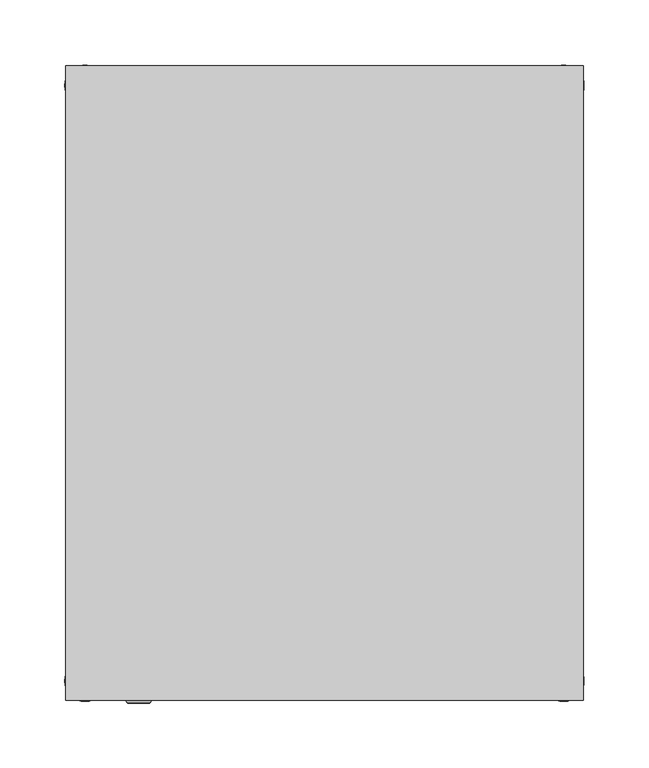
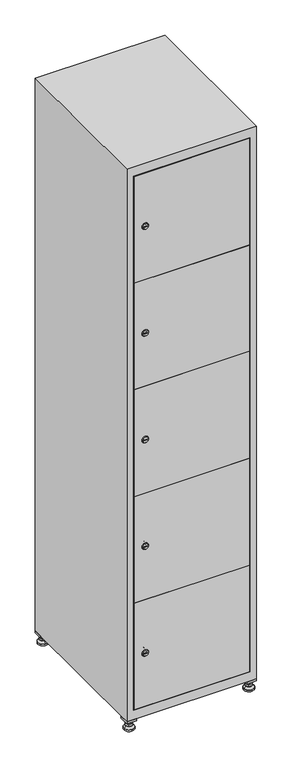
"""IFC4 building model written with IfcOpenShell, lengths in millimetres: furniture geometry."""

from ifc_helpers import new_model, si_unit, point, frame, frame_2d, origin, origin_with_axes, place, context, project, spatial, polyline, circle_curve, trimmed, segment, composite_curve, outline, extrude, faceted_brep, source, transform, mapped, element, save
from ifc_brep_helpers import plane_surface, revolved_surface, advanced_brep


def furniture_237b745b(model_context):
    return source(origin(), model_context, "Body", "SolidModel", [
        extrude(outline(polyline([(200.0, 245.0), (200.0, 215.0), (170.0, 215.0), (170.0, 245.0), (200.0, 245.0)]), holes=[polyline([(198.0, 243.0), (172.0, 243.0), (172.0, 217.0), (198.0, 217.0), (198.0, 243.0)])]), frame((0.0, 0.0, 28.5), z_axis=(0.0, 0.0, 1.0), x_axis=(1.0, 0.0, 0.0)), (0.0, 0.0, 1.0), 6.5),
        extrude(outline(polyline([(170.0, -245.0), (170.0, -215.0), (200.0, -215.0), (200.0, -245.0), (170.0, -245.0)]), holes=[polyline([(172.0, -243.0), (198.0, -243.0), (198.0, -217.0), (172.0, -217.0), (172.0, -243.0)])]), frame((0.0, 0.0, 28.5), z_axis=(0.0, 0.0, 1.0), x_axis=(1.0, 0.0, 0.0)), (0.0, 0.0, 1.0), 6.5),
        extrude(outline(polyline([(-170.0, 245.0), (-170.0, 215.0), (-200.0, 215.0), (-200.0, 245.0), (-170.0, 245.0)]), holes=[polyline([(-172.0, 243.0), (-198.0, 243.0), (-198.0, 217.0), (-172.0, 217.0), (-172.0, 243.0)])]), frame((0.0, 0.0, 28.5), z_axis=(0.0, 0.0, 1.0), x_axis=(1.0, 0.0, 0.0)), (0.0, 0.0, 1.0), 6.5),
        extrude(outline(polyline([(-170.0, -215.0), (-170.0, -245.0), (-200.0, -245.0), (-200.0, -215.0), (-170.0, -215.0)]), holes=[polyline([(-198.0, -243.0), (-172.0, -243.0), (-172.0, -217.0), (-198.0, -217.0), (-198.0, -243.0)])]), frame((0.0, 0.0, 28.5), z_axis=(0.0, 0.0, 1.0), x_axis=(1.0, 0.0, 0.0)), (0.0, 0.0, 1.0), 6.5),
        extrude(outline(composite_curve([segment(trimmed(circle_curve(frame_2d((-185.0, 230.0)), 5.0), [point((-180.0, 230.0))], [point((-190.0, 230.0))], False, "CARTESIAN"), True, "CONTINUOUS"), segment(trimmed(circle_curve(frame_2d((-185.0, 230.0)), 5.0), [point((-190.0, 230.0))], [point((-180.0, 230.0))], False, "CARTESIAN"), True, "CONTINUOUS")], self_intersect=False)), frame((0.0, 0.0, 19.6), z_axis=(0.0, 0.0, 1.0), x_axis=(1.0, 0.0, 0.0)), (0.0, 0.0, 1.0), 15.4),
        extrude(outline(composite_curve([segment(trimmed(circle_curve(frame_2d((-185.0, -230.0)), 5.0), [point((-180.0, -230.0))], [point((-190.0, -230.0))], False, "CARTESIAN"), True, "CONTINUOUS"), segment(trimmed(circle_curve(frame_2d((-185.0, -230.0)), 5.0), [point((-190.0, -230.0))], [point((-180.0, -230.0))], False, "CARTESIAN"), True, "CONTINUOUS")], self_intersect=False)), frame((0.0, 0.0, 19.6), z_axis=(0.0, 0.0, 1.0), x_axis=(1.0, 0.0, 0.0)), (0.0, 0.0, 1.0), 15.4),
        extrude(outline(composite_curve([segment(trimmed(circle_curve(frame_2d((185.0, 230.0)), 5.0), [point((190.0, 230.0))], [point((180.0, 230.0))], False, "CARTESIAN"), True, "CONTINUOUS"), segment(trimmed(circle_curve(frame_2d((185.0, 230.0)), 5.0), [point((180.0, 230.0))], [point((190.0, 230.0))], False, "CARTESIAN"), True, "CONTINUOUS")], self_intersect=False)), frame((0.0, 0.0, 19.6), z_axis=(0.0, 0.0, 1.0), x_axis=(1.0, 0.0, 0.0)), (0.0, 0.0, 1.0), 15.4),
        extrude(outline(polyline([(173.4529946, 230.0), (179.2264973, 240.0), (190.7735027, 240.0), (196.5470054, 230.0), (190.7735027, 220.0), (179.2264973, 220.0), (173.4529946, 230.0)])), frame((0.0, 0.0, 13.6), z_axis=(0.0, 0.0, 1.0), x_axis=(1.0, 0.0, 0.0)), (0.0, 0.0, 1.0), 6.0),
        extrude(outline(composite_curve([segment(trimmed(circle_curve(frame_2d((185.0, -230.0)), 5.0), [point((190.0, -230.0))], [point((180.0, -230.0))], False, "CARTESIAN"), True, "CONTINUOUS"), segment(trimmed(circle_curve(frame_2d((185.0, -230.0)), 5.0), [point((180.0, -230.0))], [point((190.0, -230.0))], False, "CARTESIAN"), True, "CONTINUOUS")], self_intersect=False)), frame((0.0, 0.0, 19.6), z_axis=(0.0, 0.0, 1.0), x_axis=(1.0, 0.0, 0.0)), (0.0, 0.0, 1.0), 15.4),
        extrude(outline(polyline([(173.4529946, -230.0), (179.2264973, -220.0), (190.7735027, -220.0), (196.5470054, -230.0), (190.7735027, -240.0), (179.2264973, -240.0), (173.4529946, -230.0)])), frame((0.0, 0.0, 13.6), z_axis=(0.0, 0.0, 1.0), x_axis=(1.0, 0.0, 0.0)), (0.0, 0.0, 1.0), 6.0),
        extrude(outline(composite_curve([segment(trimmed(circle_curve(frame_2d((185.0, 230.0)), 5.0), [point((190.0, 230.0))], [point((180.0, 230.0))], False, "CARTESIAN"), True, "CONTINUOUS"), segment(trimmed(circle_curve(frame_2d((185.0, 230.0)), 5.0), [point((180.0, 230.0))], [point((190.0, 230.0))], False, "CARTESIAN"), True, "CONTINUOUS")], self_intersect=False)), frame((0.0, 0.0, 12.1), z_axis=(0.0, 0.0, 1.0), x_axis=(1.0, 0.0, 0.0)), (0.0, 0.0, 1.0), 1.5),
        extrude(outline(composite_curve([segment(trimmed(circle_curve(frame_2d((185.0, -230.0)), 5.0), [point((190.0, -230.0))], [point((180.0, -230.0))], False, "CARTESIAN"), True, "CONTINUOUS"), segment(trimmed(circle_curve(frame_2d((185.0, -230.0)), 5.0), [point((180.0, -230.0))], [point((190.0, -230.0))], False, "CARTESIAN"), True, "CONTINUOUS")], self_intersect=False)), frame((0.0, 0.0, 12.1), z_axis=(0.0, 0.0, 1.0), x_axis=(1.0, 0.0, 0.0)), (0.0, 0.0, 1.0), 1.5),
        extrude(outline(polyline([(-196.5470054, 230.0), (-190.7735027, 240.0), (-179.2264973, 240.0), (-173.4529946, 230.0), (-179.2264973, 220.0), (-190.7735027, 220.0), (-196.5470054, 230.0)])), frame((0.0, 0.0, 13.6), z_axis=(0.0, 0.0, 1.0), x_axis=(1.0, 0.0, 0.0)), (0.0, 0.0, 1.0), 6.0),
        extrude(outline(polyline([(-196.5470054, -230.0), (-190.7735027, -220.0), (-179.2264973, -220.0), (-173.4529946, -230.0), (-179.2264973, -240.0), (-190.7735027, -240.0), (-196.5470054, -230.0)])), frame((0.0, 0.0, 13.6), z_axis=(0.0, 0.0, 1.0), x_axis=(1.0, 0.0, 0.0)), (0.0, 0.0, 1.0), 6.0),
        extrude(outline(composite_curve([segment(trimmed(circle_curve(frame_2d((-185.0, 230.0)), 5.0), [point((-185.0, 235.0))], [point((-185.0, 225.0))], False, "CARTESIAN"), True, "CONTINUOUS"), segment(trimmed(circle_curve(frame_2d((-185.0, 230.0)), 5.0), [point((-185.0, 225.0))], [point((-185.0, 235.0))], False, "CARTESIAN"), True, "CONTINUOUS")], self_intersect=False)), frame((0.0, 0.0, 12.1), z_axis=(0.0, 0.0, 1.0), x_axis=(1.0, 0.0, 0.0)), (0.0, 0.0, 1.0), 1.5),
        extrude(outline(composite_curve([segment(trimmed(circle_curve(frame_2d((-185.0, -230.0)), 5.0), [point((-180.0, -230.0))], [point((-190.0, -230.0))], False, "CARTESIAN"), True, "CONTINUOUS"), segment(trimmed(circle_curve(frame_2d((-185.0, -230.0)), 5.0), [point((-190.0, -230.0))], [point((-180.0, -230.0))], False, "CARTESIAN"), True, "CONTINUOUS")], self_intersect=False)), frame((0.0, 0.0, 12.1), z_axis=(0.0, 0.0, 1.0), x_axis=(1.0, 0.0, 0.0)), (0.0, 0.0, 1.0), 1.5),
        extrude(outline(composite_curve([segment(trimmed(circle_curve(frame_2d((185.0, 230.0)), 15.75), [point((200.75, 230.0))], [point((169.25, 230.0))], False, "CARTESIAN"), True, "CONTINUOUS"), segment(trimmed(circle_curve(frame_2d((185.0, 230.0)), 15.75), [point((169.25, 230.0))], [point((200.75, 230.0))], False, "CARTESIAN"), True, "CONTINUOUS")], self_intersect=False)), origin_with_axes(), (0.0, 0.0, 1.0), 5.1),
        extrude(outline(composite_curve([segment(trimmed(circle_curve(frame_2d((185.0, -230.0)), 15.75), [point((185.0, -214.25))], [point((185.0, -245.75))], False, "CARTESIAN"), True, "CONTINUOUS"), segment(trimmed(circle_curve(frame_2d((185.0, -230.0)), 15.75), [point((185.0, -245.75))], [point((185.0, -214.25))], False, "CARTESIAN"), True, "CONTINUOUS")], self_intersect=False)), origin_with_axes(), (0.0, 0.0, 1.0), 5.1),
        extrude(outline(composite_curve([segment(trimmed(circle_curve(frame_2d((-185.0, -230.0)), 15.75), [point((-169.25, -230.0))], [point((-200.75, -230.0))], False, "CARTESIAN"), True, "CONTINUOUS"), segment(trimmed(circle_curve(frame_2d((-185.0, -230.0)), 15.75), [point((-200.75, -230.0))], [point((-169.25, -230.0))], False, "CARTESIAN"), True, "CONTINUOUS")], self_intersect=False)), origin_with_axes(), (0.0, 0.0, 1.0), 5.1),
        extrude(outline(composite_curve([segment(trimmed(circle_curve(frame_2d((-185.0, 230.0)), 15.75), [point((-169.25, 230.0))], [point((-200.75, 230.0))], False, "CARTESIAN"), True, "CONTINUOUS"), segment(trimmed(circle_curve(frame_2d((-185.0, 230.0)), 15.75), [point((-200.75, 230.0))], [point((-169.25, 230.0))], False, "CARTESIAN"), True, "CONTINUOUS")], self_intersect=False)), origin_with_axes(), (0.0, 0.0, 1.0), 5.1),
        advanced_brep(
        [(-185.0, 245.75, 5.1), (-185.0, 214.25, 5.1), (-185.0, 239.5, 12.1), (-185.0, 220.5, 12.1)],
        [
            (0, 1, circle_curve(frame((-185.0, 230.0, 5.1), z_axis=(0.0, 0.0, -1.0), x_axis=(0.0, 1.0, 0.0)), 15.75)),
            (1, 0, circle_curve(frame((-185.0, 230.0, 5.1), z_axis=(0.0, 0.0, -1.0), x_axis=(0.0, -1.0, 0.0)), 15.75)),
            (2, 3, circle_curve(frame((-185.0, 230.0, 12.1), z_axis=(0.0, 0.0, 1.0), x_axis=(0.0, -1.0, 0.0)), 9.5)),
            (3, 2, circle_curve(frame((-185.0, 230.0, 12.1), z_axis=(0.0, 0.0, 1.0), x_axis=(0.0, 1.0, 0.0)), 9.5)),
            (3, 1),
            (0, 2),
        ],
        [
            plane_surface(frame((-185.0, 230.0, 5.1), z_axis=(0.0, 0.0, -1.0), x_axis=(1.0, 0.0, 0.0))),
            plane_surface(frame((-185.0, 230.0, 12.1), z_axis=(0.0, 0.0, 1.0), x_axis=(1.0, 0.0, 0.0))),
            revolved_surface(polyline([(-185.0, 220.5, 12.099999999999998), (-185.0, 214.25, 5.099999999999998)]), (-185.0, 230.0, 22.74), (0.0, 0.0, -1.0)),
            revolved_surface(polyline([(-185.0, 239.5, 12.099999999999998), (-185.0, 245.75, 5.099999999999998)]), (-185.0, 230.0, 22.74), (0.0, 0.0, -1.0)),
        ],
        [
            (0, [[1, 2]]),
            (1, [[3, 4]]),
            (2, [[-4, 5, -1, 6]]),
            (3, [[-3, -6, -2, -5]]),
        ],
    ),
        advanced_brep(
        [(185.0, 245.75, 5.1), (185.0, 214.25, 5.1), (185.0, 239.5, 12.1), (185.0, 220.5, 12.1)],
        [
            (0, 1, circle_curve(frame((185.0, 230.0, 5.1), z_axis=(0.0, 0.0, -1.0), x_axis=(0.0, 1.0, 0.0)), 15.75)),
            (1, 0, circle_curve(frame((185.0, 230.0, 5.1), z_axis=(0.0, 0.0, -1.0), x_axis=(0.0, -1.0, 0.0)), 15.75)),
            (2, 3, circle_curve(frame((185.0, 230.0, 12.1), z_axis=(0.0, 0.0, 1.0), x_axis=(0.0, -1.0, 0.0)), 9.5)),
            (3, 2, circle_curve(frame((185.0, 230.0, 12.1), z_axis=(0.0, 0.0, 1.0), x_axis=(0.0, 1.0, 0.0)), 9.5)),
            (3, 1),
            (0, 2),
        ],
        [
            plane_surface(frame((185.0, 230.0, 5.1), z_axis=(0.0, 0.0, -1.0), x_axis=(1.0, 0.0, 0.0))),
            plane_surface(frame((185.0, 230.0, 12.1), z_axis=(0.0, 0.0, 1.0), x_axis=(1.0, 0.0, 0.0))),
            revolved_surface(polyline([(185.0, 220.5, 12.099999999999998), (185.0, 214.25, 5.099999999999998)]), (185.0, 230.0, 22.74), (0.0, 0.0, -1.0)),
            revolved_surface(polyline([(185.0, 239.5, 12.099999999999998), (185.0, 245.75, 5.099999999999998)]), (185.0, 230.0, 22.74), (0.0, 0.0, -1.0)),
        ],
        [
            (0, [[1, 2]]),
            (1, [[3, 4]]),
            (2, [[-4, 5, -1, 6]]),
            (3, [[-3, -6, -2, -5]]),
        ],
    ),
        advanced_brep(
        [(194.5, -230.0, 12.1), (175.5, -230.0, 12.1), (200.75, -230.0, 5.1), (169.25, -230.0, 5.1)],
        [
            (0, 1, circle_curve(frame((185.0, -230.0, 12.1), z_axis=(0.0, 0.0, 1.0), x_axis=(1.0, 0.0, 0.0)), 9.5)),
            (1, 0, circle_curve(frame((185.0, -230.0, 12.1), z_axis=(0.0, 0.0, 1.0), x_axis=(-1.0, 0.0, 0.0)), 9.5)),
            (2, 3, circle_curve(frame((185.0, -230.0, 5.1), z_axis=(0.0, 0.0, -1.0), x_axis=(-1.0, 0.0, 0.0)), 15.75)),
            (3, 2, circle_curve(frame((185.0, -230.0, 5.1), z_axis=(0.0, 0.0, -1.0), x_axis=(1.0, 0.0, 0.0)), 15.75)),
            (3, 1),
            (0, 2),
        ],
        [
            plane_surface(frame((185.0, -230.0, 12.1), z_axis=(0.0, 0.0, 1.0), x_axis=(0.0, 1.0, 0.0))),
            plane_surface(frame((185.0, -230.0, 5.1), z_axis=(0.0, 0.0, -1.0), x_axis=(0.0, 1.0, 0.0))),
            revolved_surface(polyline([(194.5, -230.0, 12.099999999999998), (200.75, -230.0, 5.099999999999998)]), (185.0, -230.0, 22.74), (0.0, 0.0, -1.0)),
            revolved_surface(polyline([(175.5, -230.0, 12.099999999999998), (169.25, -230.0, 5.099999999999998)]), (185.0, -230.0, 22.74), (0.0, 0.0, -1.0)),
        ],
        [
            (0, [[1, 2]]),
            (1, [[3, 4]]),
            (2, [[-4, 5, -1, 6]]),
            (3, [[-3, -6, -2, -5]]),
        ],
    ),
        advanced_brep(
        [(-175.5, -230.0, 12.1), (-194.5, -230.0, 12.1), (-169.25, -230.0, 5.1), (-200.75, -230.0, 5.1)],
        [
            (0, 1, circle_curve(frame((-185.0, -230.0, 12.1), z_axis=(0.0, 0.0, 1.0), x_axis=(1.0, 0.0, 0.0)), 9.5)),
            (1, 0, circle_curve(frame((-185.0, -230.0, 12.1), z_axis=(0.0, 0.0, 1.0), x_axis=(-1.0, 0.0, 0.0)), 9.5)),
            (2, 3, circle_curve(frame((-185.0, -230.0, 5.1), z_axis=(0.0, 0.0, -1.0), x_axis=(-1.0, 0.0, 0.0)), 15.75)),
            (3, 2, circle_curve(frame((-185.0, -230.0, 5.1), z_axis=(0.0, 0.0, -1.0), x_axis=(1.0, 0.0, 0.0)), 15.75)),
            (3, 1),
            (0, 2),
        ],
        [
            plane_surface(frame((-185.0, -230.0, 12.1), z_axis=(0.0, 0.0, 1.0), x_axis=(0.0, 1.0, 0.0))),
            plane_surface(frame((-185.0, -230.0, 5.1), z_axis=(0.0, 0.0, -1.0), x_axis=(0.0, 1.0, 0.0))),
            revolved_surface(polyline([(-175.5, -230.0, 12.099999999999998), (-169.25, -230.0, 5.099999999999998)]), (-185.0, -230.0, 22.74), (0.0, 0.0, -1.0)),
            revolved_surface(polyline([(-194.5, -230.0, 12.099999999999998), (-200.75, -230.0, 5.099999999999998)]), (-185.0, -230.0, 22.74), (0.0, 0.0, -1.0)),
        ],
        [
            (0, [[1, 2]]),
            (1, [[3, 4]]),
            (2, [[-4, 5, -1, 6]]),
            (3, [[-3, -6, -2, -5]]),
        ],
    ),
        extrude(outline(composite_curve([segment(trimmed(circle_curve(frame_2d((239.96, -170.3989466)), 7.0), [point((246.96, -170.3989466))], [point((232.96, -170.3989466))], False, "CARTESIAN"), True, "CONTINUOUS"), segment(polyline([(232.96, -170.3989466), (232.96, -142.3989466)]), True, "CONTINUOUS"), segment(trimmed(circle_curve(frame_2d((239.96, -142.3989466)), 7.0), [point((232.96, -142.3989466))], [point((246.96, -142.3989466))], False, "CARTESIAN"), True, "CONTINUOUS"), segment(polyline([(246.96, -142.3989466), (246.96, -170.3989466)]), True, "CONTINUOUS")], self_intersect=False)), frame((0.0, -227.0, 0.0), z_axis=(0.0, 1.0, 0.0), x_axis=(0.0, 0.0, 1.0)), (0.0, 0.0, 1.0), 2.0),
        advanced_brep(
        [(-135.1, -247.2, 239.96), (-152.1, -247.2, 239.96), (-148.6, -247.2, 238.71), (-148.6, -247.2, 241.21), (-138.6, -247.2, 241.21), (-138.6, -247.2, 238.71), (-133.1, -245.0, 239.96), (-154.1, -245.0, 239.96), (-148.6, -245.0, 241.21), (-148.6, -245.0, 238.71), (-138.6, -245.0, 238.71), (-138.6, -245.0, 241.21)],
        [
            (0, 1, circle_curve(frame((-143.6, -247.2, 239.96), z_axis=(0.0, -1.0, 0.0), x_axis=(1.0, 0.0, 0.0)), 8.5)),
            (1, 0, circle_curve(frame((-143.6, -247.2, 239.96), z_axis=(0.0, -1.0, 0.0), x_axis=(-1.0, 0.0, 0.0)), 8.5)),
            (2, 3),
            (3, 4),
            (4, 5),
            (5, 2),
            (6, 7, circle_curve(frame((-143.6, -245.0, 239.96), z_axis=(0.0, 1.0, 0.0), x_axis=(-1.0, 0.0, 0.0)), 10.5)),
            (7, 6, circle_curve(frame((-143.6, -245.0, 239.96), z_axis=(0.0, 1.0, 0.0), x_axis=(1.0, 0.0, 0.0)), 10.5)),
            (8, 9),
            (9, 10),
            (10, 11),
            (11, 8),
            (0, 6),
            (7, 1),
            (8, 3),
            (2, 9),
            (11, 4),
            (10, 5),
        ],
        [
            plane_surface(frame((-143.6, -247.2, 239.96), z_axis=(0.0, -1.0, 0.0), x_axis=(0.0, 0.0, 1.0))),
            plane_surface(frame((-143.6, -245.0, 239.96), z_axis=(0.0, 1.0, 0.0), x_axis=(0.0, 0.0, 1.0))),
            revolved_surface(polyline([(-135.1, -247.2, 239.96), (-133.1, -245.0, 239.96)]), (-143.6, -256.55, 239.96), (0.0, 1.0, 0.0)),
            revolved_surface(polyline([(-152.1, -247.2, 239.96), (-154.1, -245.0, 239.96)]), (-143.6, -256.55, 239.96), (0.0, 1.0, 0.0)),
            plane_surface(frame((-148.6, -245.0, 238.71), z_axis=(1.0, 0.0, 0.0), x_axis=(0.0, -1.0, 0.0))),
            plane_surface(frame((-148.6, -245.0, 241.21), z_axis=(0.0, 0.0, -1.0), x_axis=(0.0, -1.0, 0.0))),
            plane_surface(frame((-138.6, -245.0, 241.21), z_axis=(-1.0, 0.0, 0.0), x_axis=(0.0, -1.0, 0.0))),
            plane_surface(frame((-138.6, -245.0, 238.71), z_axis=(0.0, 0.0, 1.0), x_axis=(0.0, -1.0, 0.0))),
        ],
        [
            (0, [[1, 2], [3, 4, 5, 6]]),
            (1, [[7, 8], [9, 10, 11, 12]]),
            (2, [[-1, 13, -8, 14]]),
            (3, [[-2, -14, -7, -13]]),
            (4, [[15, -3, 16, -9]]),
            (5, [[-15, -12, 17, -4]]),
            (6, [[-17, -11, 18, -5]]),
            (7, [[-16, -6, -18, -10]]),
        ],
    ),
        extrude(outline(composite_curve([segment(trimmed(circle_curve(frame_2d((587.48, -170.3989466)), 7.0), [point((594.48, -170.3989466))], [point((580.48, -170.3989466))], False, "CARTESIAN"), True, "CONTINUOUS"), segment(polyline([(580.48, -170.3989466), (580.48, -142.3989466)]), True, "CONTINUOUS"), segment(trimmed(circle_curve(frame_2d((587.48, -142.3989466)), 7.0), [point((580.48, -142.3989466))], [point((594.48, -142.3989466))], False, "CARTESIAN"), True, "CONTINUOUS"), segment(polyline([(594.48, -142.3989466), (594.48, -170.3989466)]), True, "CONTINUOUS")], self_intersect=False)), frame((0.0, -227.0, 0.0), z_axis=(0.0, 1.0, 0.0), x_axis=(0.0, 0.0, 1.0)), (0.0, 0.0, 1.0), 2.0),
        advanced_brep(
        [(-135.1, -247.2, 587.48), (-152.1, -247.2, 587.48), (-148.6, -247.2, 586.23), (-148.6, -247.2, 588.73), (-138.6, -247.2, 588.73), (-138.6, -247.2, 586.23), (-133.1, -245.0, 587.48), (-154.1, -245.0, 587.48), (-148.6, -245.0, 588.73), (-148.6, -245.0, 586.23), (-138.6, -245.0, 586.23), (-138.6, -245.0, 588.73)],
        [
            (0, 1, circle_curve(frame((-143.6, -247.2, 587.48), z_axis=(0.0, -1.0, 0.0), x_axis=(1.0, 0.0, 0.0)), 8.5)),
            (1, 0, circle_curve(frame((-143.6, -247.2, 587.48), z_axis=(0.0, -1.0, 0.0), x_axis=(-1.0, 0.0, 0.0)), 8.5)),
            (2, 3),
            (3, 4),
            (4, 5),
            (5, 2),
            (6, 7, circle_curve(frame((-143.6, -245.0, 587.48), z_axis=(0.0, 1.0, 0.0), x_axis=(-1.0, 0.0, 0.0)), 10.5)),
            (7, 6, circle_curve(frame((-143.6, -245.0, 587.48), z_axis=(0.0, 1.0, 0.0), x_axis=(1.0, 0.0, 0.0)), 10.5)),
            (8, 9),
            (9, 10),
            (10, 11),
            (11, 8),
            (0, 6),
            (7, 1),
            (8, 3),
            (2, 9),
            (11, 4),
            (10, 5),
        ],
        [
            plane_surface(frame((-143.6, -247.2, 587.48), z_axis=(0.0, -1.0, 0.0), x_axis=(0.0, 0.0, 1.0))),
            plane_surface(frame((-143.6, -245.0, 587.48), z_axis=(0.0, 1.0, 0.0), x_axis=(0.0, 0.0, 1.0))),
            revolved_surface(polyline([(-135.1, -247.2, 587.48), (-133.1, -245.0, 587.48)]), (-143.6, -256.55, 587.48), (0.0, 1.0, 0.0)),
            revolved_surface(polyline([(-152.1, -247.2, 587.48), (-154.1, -245.0, 587.48)]), (-143.6, -256.55, 587.48), (0.0, 1.0, 0.0)),
            plane_surface(frame((-148.6, -245.0, 586.23), z_axis=(1.0, 0.0, 0.0), x_axis=(0.0, -1.0, 0.0))),
            plane_surface(frame((-148.6, -245.0, 588.73), z_axis=(0.0, 0.0, -1.0), x_axis=(0.0, -1.0, 0.0))),
            plane_surface(frame((-138.6, -245.0, 588.73), z_axis=(-1.0, 0.0, 0.0), x_axis=(0.0, -1.0, 0.0))),
            plane_surface(frame((-138.6, -245.0, 586.23), z_axis=(0.0, 0.0, 1.0), x_axis=(0.0, -1.0, 0.0))),
        ],
        [
            (0, [[1, 2], [3, 4, 5, 6]]),
            (1, [[7, 8], [9, 10, 11, 12]]),
            (2, [[-1, 13, -8, 14]]),
            (3, [[-2, -14, -7, -13]]),
            (4, [[15, -3, 16, -9]]),
            (5, [[-15, -12, 17, -4]]),
            (6, [[-17, -11, 18, -5]]),
            (7, [[-16, -6, -18, -10]]),
        ],
    ),
        extrude(outline(composite_curve([segment(trimmed(circle_curve(frame_2d((935.0, -170.3989466)), 7.0), [point((942.0, -170.3989466))], [point((928.0, -170.3989466))], False, "CARTESIAN"), True, "CONTINUOUS"), segment(polyline([(928.0, -170.3989466), (928.0, -142.3989466)]), True, "CONTINUOUS"), segment(trimmed(circle_curve(frame_2d((935.0, -142.3989466)), 7.0), [point((928.0, -142.3989466))], [point((942.0, -142.3989466))], False, "CARTESIAN"), True, "CONTINUOUS"), segment(polyline([(942.0, -142.3989466), (942.0, -170.3989466)]), True, "CONTINUOUS")], self_intersect=False)), frame((0.0, -227.0, 0.0), z_axis=(0.0, 1.0, 0.0), x_axis=(0.0, 0.0, 1.0)), (0.0, 0.0, 1.0), 2.0),
        advanced_brep(
        [(-135.1, -247.2, 935.0), (-152.1, -247.2, 935.0), (-148.6, -247.2, 933.75), (-148.6, -247.2, 936.25), (-138.6, -247.2, 936.25), (-138.6, -247.2, 933.75), (-133.1, -245.0, 935.0), (-154.1, -245.0, 935.0), (-148.6, -245.0, 936.25), (-148.6, -245.0, 933.75), (-138.6, -245.0, 933.75), (-138.6, -245.0, 936.25)],
        [
            (0, 1, circle_curve(frame((-143.6, -247.2, 935.0), z_axis=(0.0, -1.0, 0.0), x_axis=(1.0, 0.0, 0.0)), 8.5)),
            (1, 0, circle_curve(frame((-143.6, -247.2, 935.0), z_axis=(0.0, -1.0, 0.0), x_axis=(-1.0, 0.0, 0.0)), 8.5)),
            (2, 3),
            (3, 4),
            (4, 5),
            (5, 2),
            (6, 7, circle_curve(frame((-143.6, -245.0, 935.0), z_axis=(0.0, 1.0, 0.0), x_axis=(-1.0, 0.0, 0.0)), 10.5)),
            (7, 6, circle_curve(frame((-143.6, -245.0, 935.0), z_axis=(0.0, 1.0, 0.0), x_axis=(1.0, 0.0, 0.0)), 10.5)),
            (8, 9),
            (9, 10),
            (10, 11),
            (11, 8),
            (0, 6),
            (7, 1),
            (8, 3),
            (2, 9),
            (11, 4),
            (10, 5),
        ],
        [
            plane_surface(frame((-143.6, -247.2, 935.0), z_axis=(0.0, -1.0, 0.0), x_axis=(0.0, 0.0, 1.0))),
            plane_surface(frame((-143.6, -245.0, 935.0), z_axis=(0.0, 1.0, 0.0), x_axis=(0.0, 0.0, 1.0))),
            revolved_surface(polyline([(-135.1, -247.2, 935.0), (-133.1, -245.0, 935.0)]), (-143.6, -256.55, 935.0), (0.0, 1.0, 0.0)),
            revolved_surface(polyline([(-152.1, -247.2, 935.0), (-154.1, -245.0, 935.0)]), (-143.6, -256.55, 935.0), (0.0, 1.0, 0.0)),
            plane_surface(frame((-148.6, -245.0, 933.75), z_axis=(1.0, 0.0, 0.0), x_axis=(0.0, -1.0, 0.0))),
            plane_surface(frame((-148.6, -245.0, 936.25), z_axis=(0.0, 0.0, -1.0), x_axis=(0.0, -1.0, 0.0))),
            plane_surface(frame((-138.6, -245.0, 936.25), z_axis=(-1.0, 0.0, 0.0), x_axis=(0.0, -1.0, 0.0))),
            plane_surface(frame((-138.6, -245.0, 933.75), z_axis=(0.0, 0.0, 1.0), x_axis=(0.0, -1.0, 0.0))),
        ],
        [
            (0, [[1, 2], [3, 4, 5, 6]]),
            (1, [[7, 8], [9, 10, 11, 12]]),
            (2, [[-1, 13, -8, 14]]),
            (3, [[-2, -14, -7, -13]]),
            (4, [[15, -3, 16, -9]]),
            (5, [[-15, -12, 17, -4]]),
            (6, [[-17, -11, 18, -5]]),
            (7, [[-16, -6, -18, -10]]),
        ],
    ),
        extrude(outline(composite_curve([segment(trimmed(circle_curve(frame_2d((1282.52, -170.3989466)), 7.0), [point((1289.52, -170.3989466))], [point((1275.52, -170.3989466))], False, "CARTESIAN"), True, "CONTINUOUS"), segment(polyline([(1275.52, -170.3989466), (1275.52, -142.3989466)]), True, "CONTINUOUS"), segment(trimmed(circle_curve(frame_2d((1282.52, -142.3989466)), 7.0), [point((1275.52, -142.3989466))], [point((1289.52, -142.3989466))], False, "CARTESIAN"), True, "CONTINUOUS"), segment(polyline([(1289.52, -142.3989466), (1289.52, -170.3989466)]), True, "CONTINUOUS")], self_intersect=False)), frame((0.0, -227.0, 0.0), z_axis=(0.0, 1.0, 0.0), x_axis=(0.0, 0.0, 1.0)), (0.0, 0.0, 1.0), 2.0),
        advanced_brep(
        [(-135.1, -247.2, 1282.52), (-152.1, -247.2, 1282.52), (-148.6, -247.2, 1281.27), (-148.6, -247.2, 1283.77), (-138.6, -247.2, 1283.77), (-138.6, -247.2, 1281.27), (-133.1, -245.0, 1282.52), (-154.1, -245.0, 1282.52), (-148.6, -245.0, 1283.77), (-148.6, -245.0, 1281.27), (-138.6, -245.0, 1281.27), (-138.6, -245.0, 1283.77)],
        [
            (0, 1, circle_curve(frame((-143.6, -247.2, 1282.52), z_axis=(0.0, -1.0, 0.0), x_axis=(1.0, 0.0, 0.0)), 8.5)),
            (1, 0, circle_curve(frame((-143.6, -247.2, 1282.52), z_axis=(0.0, -1.0, 0.0), x_axis=(-1.0, 0.0, 0.0)), 8.5)),
            (2, 3),
            (3, 4),
            (4, 5),
            (5, 2),
            (6, 7, circle_curve(frame((-143.6, -245.0, 1282.52), z_axis=(0.0, 1.0, 0.0), x_axis=(-1.0, 0.0, 0.0)), 10.5)),
            (7, 6, circle_curve(frame((-143.6, -245.0, 1282.52), z_axis=(0.0, 1.0, 0.0), x_axis=(1.0, 0.0, 0.0)), 10.5)),
            (8, 9),
            (9, 10),
            (10, 11),
            (11, 8),
            (0, 6),
            (7, 1),
            (8, 3),
            (2, 9),
            (11, 4),
            (10, 5),
        ],
        [
            plane_surface(frame((-143.6, -247.2, 1282.52), z_axis=(0.0, -1.0, 0.0), x_axis=(0.0, 0.0, 1.0))),
            plane_surface(frame((-143.6, -245.0, 1282.52), z_axis=(0.0, 1.0, 0.0), x_axis=(0.0, 0.0, 1.0))),
            revolved_surface(polyline([(-135.1, -247.2, 1282.52), (-133.1, -245.0, 1282.52)]), (-143.6, -256.55, 1282.52), (0.0, 1.0, 0.0)),
            revolved_surface(polyline([(-152.1, -247.2, 1282.52), (-154.1, -245.0, 1282.52)]), (-143.6, -256.55, 1282.52), (0.0, 1.0, 0.0)),
            plane_surface(frame((-148.6, -245.0, 1281.27), z_axis=(1.0, 0.0, 0.0), x_axis=(0.0, -1.0, 0.0))),
            plane_surface(frame((-148.6, -245.0, 1283.77), z_axis=(0.0, 0.0, -1.0), x_axis=(0.0, -1.0, 0.0))),
            plane_surface(frame((-138.6, -245.0, 1283.77), z_axis=(-1.0, 0.0, 0.0), x_axis=(0.0, -1.0, 0.0))),
            plane_surface(frame((-138.6, -245.0, 1281.27), z_axis=(0.0, 0.0, 1.0), x_axis=(0.0, -1.0, 0.0))),
        ],
        [
            (0, [[1, 2], [3, 4, 5, 6]]),
            (1, [[7, 8], [9, 10, 11, 12]]),
            (2, [[-1, 13, -8, 14]]),
            (3, [[-2, -14, -7, -13]]),
            (4, [[15, -3, 16, -9]]),
            (5, [[-15, -12, 17, -4]]),
            (6, [[-17, -11, 18, -5]]),
            (7, [[-16, -6, -18, -10]]),
        ],
    ),
        extrude(outline(composite_curve([segment(trimmed(circle_curve(frame_2d((1630.04, -170.3989466)), 7.0), [point((1637.04, -170.3989466))], [point((1623.04, -170.3989466))], False, "CARTESIAN"), True, "CONTINUOUS"), segment(polyline([(1623.04, -170.3989466), (1623.04, -142.3989466)]), True, "CONTINUOUS"), segment(trimmed(circle_curve(frame_2d((1630.04, -142.3989466)), 7.0), [point((1623.04, -142.3989466))], [point((1637.04, -142.3989466))], False, "CARTESIAN"), True, "CONTINUOUS"), segment(polyline([(1637.04, -142.3989466), (1637.04, -170.3989466)]), True, "CONTINUOUS")], self_intersect=False)), frame((0.0, -227.0, 0.0), z_axis=(0.0, 1.0, 0.0), x_axis=(0.0, 0.0, 1.0)), (0.0, 0.0, 1.0), 2.0),
        advanced_brep(
        [(-135.1, -247.2, 1630.04), (-152.1, -247.2, 1630.04), (-148.6, -247.2, 1628.79), (-148.6, -247.2, 1631.29), (-138.6, -247.2, 1631.29), (-138.6, -247.2, 1628.79), (-133.1, -245.0, 1630.04), (-154.1, -245.0, 1630.04), (-148.6, -245.0, 1631.29), (-148.6, -245.0, 1628.79), (-138.6, -245.0, 1628.79), (-138.6, -245.0, 1631.29)],
        [
            (0, 1, circle_curve(frame((-143.6, -247.2, 1630.04), z_axis=(0.0, -1.0, 0.0), x_axis=(1.0, 0.0, 0.0)), 8.5)),
            (1, 0, circle_curve(frame((-143.6, -247.2, 1630.04), z_axis=(0.0, -1.0, 0.0), x_axis=(-1.0, 0.0, 0.0)), 8.5)),
            (2, 3),
            (3, 4),
            (4, 5),
            (5, 2),
            (6, 7, circle_curve(frame((-143.6, -245.0, 1630.04), z_axis=(0.0, 1.0, 0.0), x_axis=(-1.0, 0.0, 0.0)), 10.5)),
            (7, 6, circle_curve(frame((-143.6, -245.0, 1630.04), z_axis=(0.0, 1.0, 0.0), x_axis=(1.0, 0.0, 0.0)), 10.5)),
            (8, 9),
            (9, 10),
            (10, 11),
            (11, 8),
            (0, 6),
            (7, 1),
            (8, 3),
            (2, 9),
            (11, 4),
            (10, 5),
        ],
        [
            plane_surface(frame((-143.6, -247.2, 1630.04), z_axis=(0.0, -1.0, 0.0), x_axis=(0.0, 0.0, 1.0))),
            plane_surface(frame((-143.6, -245.0, 1630.04), z_axis=(0.0, 1.0, 0.0), x_axis=(0.0, 0.0, 1.0))),
            revolved_surface(polyline([(-135.1, -247.2, 1630.04), (-133.1, -245.0, 1630.04)]), (-143.6, -256.55, 1630.04), (0.0, 1.0, 0.0)),
            revolved_surface(polyline([(-152.1, -247.2, 1630.04), (-154.1, -245.0, 1630.04)]), (-143.6, -256.55, 1630.04), (0.0, 1.0, 0.0)),
            plane_surface(frame((-148.6, -245.0, 1628.79), z_axis=(1.0, 0.0, 0.0), x_axis=(0.0, -1.0, 0.0))),
            plane_surface(frame((-148.6, -245.0, 1631.29), z_axis=(0.0, 0.0, -1.0), x_axis=(0.0, -1.0, 0.0))),
            plane_surface(frame((-138.6, -245.0, 1631.29), z_axis=(-1.0, 0.0, 0.0), x_axis=(0.0, -1.0, 0.0))),
            plane_surface(frame((-138.6, -245.0, 1628.79), z_axis=(0.0, 0.0, 1.0), x_axis=(0.0, -1.0, 0.0))),
        ],
        [
            (0, [[1, 2], [3, 4, 5, 6]]),
            (1, [[7, 8], [9, 10, 11, 12]]),
            (2, [[-1, 13, -8, 14]]),
            (3, [[-2, -14, -7, -13]]),
            (4, [[15, -3, 16, -9]]),
            (5, [[-15, -12, 17, -4]]),
            (6, [[-17, -11, 18, -5]]),
            (7, [[-16, -6, -18, -10]]),
        ],
    ),
        extrude(outline(polyline([(178.6, -227.0), (178.6, -245.0), (-178.6, -245.0), (-178.6, -227.0), (178.6, -227.0)])), frame((0.0, 0.0, 760.74), z_axis=(0.0, 0.0, 1.0), x_axis=(1.0, 0.0, 0.0)), (0.0, 0.0, 1.0), 348.52),
        extrude(outline(polyline([(178.6, -227.0), (178.6, -245.0), (-178.6, -245.0), (-178.6, -227.0), (178.6, -227.0)])), frame((0.0, 0.0, 413.22), z_axis=(0.0, 0.0, 1.0), x_axis=(1.0, 0.0, 0.0)), (0.0, 0.0, 1.0), 348.52),
        extrude(outline(polyline([(178.6, -227.0), (178.6, -245.0), (-178.6, -245.0), (-178.6, -227.0), (178.6, -227.0)])), frame((0.0, 0.0, 1108.26), z_axis=(0.0, 0.0, 1.0), x_axis=(1.0, 0.0, 0.0)), (0.0, 0.0, 1.0), 347.52),
        extrude(outline(polyline([(-178.6, -245.0), (-178.6, -227.0), (178.6, -227.0), (178.6, -245.0), (-178.6, -245.0)])), frame((0.0, 0.0, 1456.78), z_axis=(0.0, 0.0, 1.0), x_axis=(1.0, 0.0, 0.0)), (0.0, 0.0, 1.0), 347.02),
        extrude(outline(polyline([(178.6, -227.0), (178.6, -245.0), (-178.6, -245.0), (-178.6, -227.0), (178.6, -227.0)])), frame((0.0, 0.0, 66.2), z_axis=(0.0, 0.0, 1.0), x_axis=(1.0, 0.0, 0.0)), (0.0, 0.0, 1.0), 348.02),
        extrude(outline(polyline([(179.6, 242.0), (179.6, -227.0), (-179.6, -227.0), (-179.6, 242.0), (179.6, 242.0)])), frame((0.0, 0.0, 1446.68), z_axis=(0.0, 0.0, 1.0), x_axis=(1.0, 0.0, 0.0)), (0.0, 0.0, 1.0), 20.4),
        extrude(outline(polyline([(179.6, 242.0), (179.6, -227.0), (-179.6, -227.0), (-179.6, 242.0), (179.6, 242.0)])), frame((0.0, 0.0, 1098.76), z_axis=(0.0, 0.0, 1.0), x_axis=(1.0, 0.0, 0.0)), (0.0, 0.0, 1.0), 20.4),
        extrude(outline(polyline([(179.6, 242.0), (179.6, -227.0), (-179.6, -227.0), (-179.6, 242.0), (179.6, 242.0)])), frame((0.0, 0.0, 750.84), z_axis=(0.0, 0.0, 1.0), x_axis=(1.0, 0.0, 0.0)), (0.0, 0.0, 1.0), 20.4),
        extrude(outline(polyline([(-179.6, 242.0), (179.6, 242.0), (179.6, -227.0), (-179.6, -227.0), (-179.6, 242.0)])), frame((0.0, 0.0, 402.92), z_axis=(0.0, 0.0, 1.0), x_axis=(1.0, 0.0, 0.0)), (0.0, 0.0, 1.0), 20.4),
        faceted_brep([(200.0, -245.0, 35.0), (200.0, -245.0, 1835.0), (-200.0, -245.0, 1835.0), (-200.0, -245.0, 35.0), (179.6, -245.0, 1804.8), (179.6, -245.0, 65.2), (-179.6, -245.0, 65.2), (-179.6, -245.0, 1804.8), (200.0, 245.0, 35.0), (-200.0, 245.0, 35.0), (200.0, 245.0, 1835.0), (-200.0, 245.0, 1835.0), (179.6, 242.0, 1804.8), (179.6, 242.0, 65.2), (-200.0, 245.0, 1804.8), (-179.6, 242.0, 1804.8), (-179.6, 242.0, 65.2)], [[[0, 1, 2, 3], [4, 5, 6, 7]], [[8, 0, 3, 9]], [[1, 0, 8, 10]], [[1, 10, 11, 2]], [[4, 12, 13, 5]], [[9, 3, 2, 11, 14]], [[10, 8, 9, 14, 11]], [[12, 15, 16, 13]], [[15, 7, 6, 16]], [[4, 7, 15, 12]], [[6, 5, 13, 16]]]),
    ])


if __name__ == "__main__":
    model = new_model("IFC4")
    model_context = context("Model", 3, world=origin())
    ifc_project = project(units=[si_unit("LENGTHUNIT", "METRE", prefix="MILLI")], contexts=[model_context])
    site = spatial("IfcSite", under=ifc_project)
    building = spatial("IfcBuilding", under=site)
    placement = place(None, origin())
    furniture_shape = furniture_237b745b(model_context)
    element("IfcFurniture", 1, at=placement, inside=building, context=model_context, shape_type="MappedRepresentation", body=[
        mapped(furniture_shape, transform((0.0, 0.0, 0.0), x_axis=(1.0, 0.0, 0.0), y_axis=(0.0, 1.0, 0.0), z_axis=(0.0, 0.0, 1.0))),
    ])
    save(model, "model.ifc")
